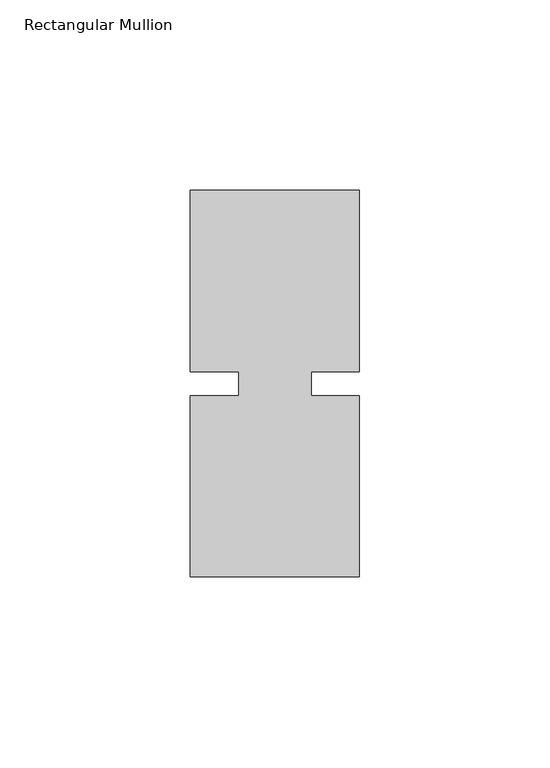
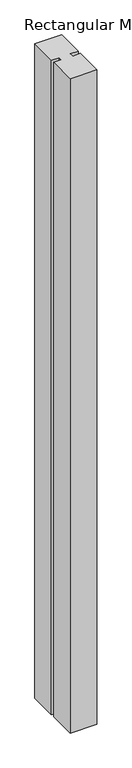
"""IFC4 building model written with IfcOpenShell, lengths in millimetres: member geometry, Rectangular Mullion."""

from ifc_helpers import new_model, si_unit, frame, origin, place, context, project, spatial, polyline, outline, extrude, source, transform, mapped, element, save


def rectangular_mullion_5b5fed61(model_context):
    return source(origin(), model_context, "Body", "SweptSolid", [
        extrude(outline(polyline([(26.5594027, 50.8), (26.5594027, 3.175), (13.8576322, 3.175), (13.8576322, -3.175), (26.5594027, -3.175), (26.5594027, -50.8), (-17.8905973, -50.8), (-17.8905973, -3.175), (-5.1905973, -3.175), (-5.1905973, 3.175), (-17.8905973, 3.175), (-17.8905973, 50.8), (26.5594027, 50.8)])), frame((0.0, 0.0, -1152.0969027), z_axis=(0.0, 0.0, 1.0), x_axis=(1.0, 0.0, 0.0)), (0.0, 0.0, 1.0), 1152.0969027),
    ])


if __name__ == "__main__":
    model = new_model("IFC4")
    model_context = context("Model", 3, world=origin())
    ifc_project = project(units=[si_unit("LENGTHUNIT", "METRE", prefix="MILLI")], contexts=[model_context])
    site = spatial("IfcSite", under=ifc_project)
    building = spatial("IfcBuilding", under=site)
    placement = place(None, origin())
    rectangular_mullion_shape = rectangular_mullion_5b5fed61(model_context)
    element("IfcMember", 1, ObjectType="Rectangular Mullion", at=placement, inside=building, context=model_context, shape_type="MappedRepresentation", body=[
        mapped(rectangular_mullion_shape, transform((0.0, 0.0, 0.0), x_axis=(1.0, 0.0, 0.0), y_axis=(0.0, 1.0, 0.0), z_axis=(0.0, 0.0, 1.0))),
    ])
    save(model, "model.ifc")
